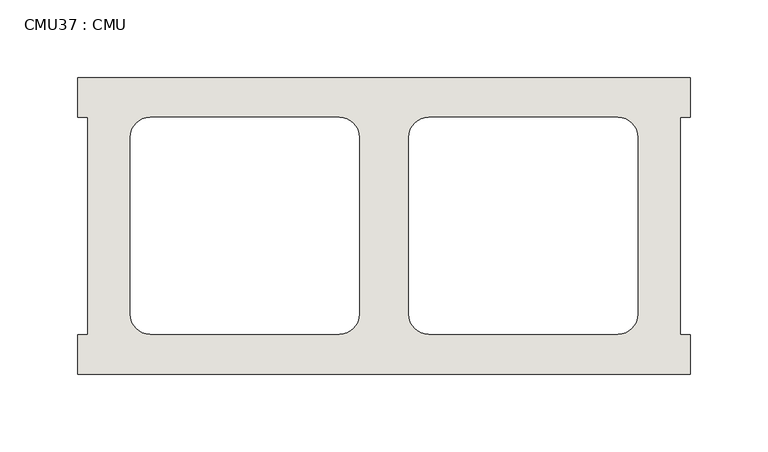
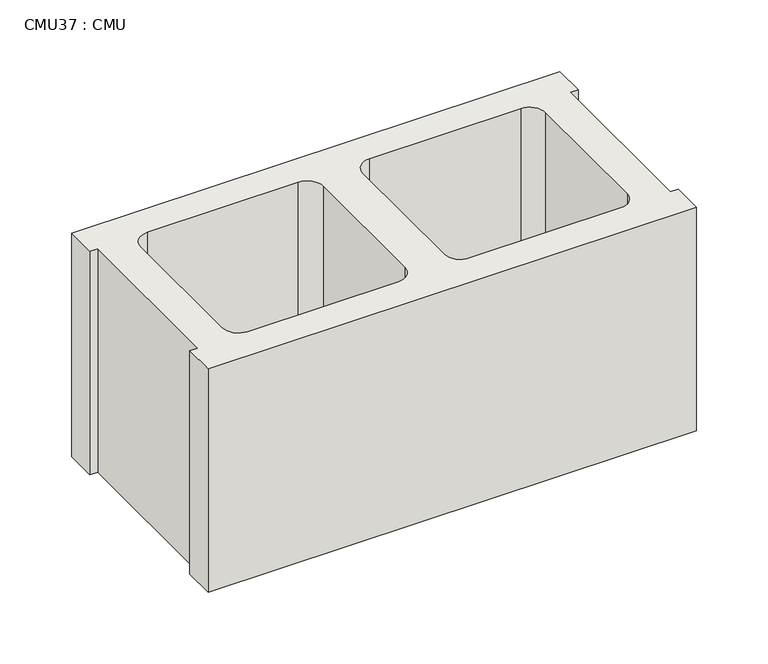
"""IFC4 building model written with IfcOpenShell, lengths in millimetres: wall geometry, CMU37 : CMU."""

from ifc_helpers import new_model, si_unit, point, frame, frame_2d, origin, place, context, project, spatial, polyline, circle_curve, trimmed, segment, composite_curve, outline, extrude, source, transform, mapped, element, save


def cmu37_cmu_e99c6f1b(model_context):
    return source(origin(), model_context, "Body", "SweptSolid", [
        extrude(outline(polyline([(-647.9939032, 2871.3003704), (-254.2939032, 2871.3003704), (-254.2939032, 2845.9003704), (-260.6439032, 2845.9003704), (-260.6439032, 2706.2003704), (-254.2939032, 2706.2003704), (-254.2939032, 2680.8003704), (-647.9939032, 2680.8003704), (-647.9939032, 2706.2003704), (-641.6439032, 2706.2003704), (-641.6439032, 2845.9003704), (-647.9939032, 2845.9003704), (-647.9939032, 2871.3003704)]), holes=[composite_curve([segment(polyline([(-479.8259045, 2845.9003704), (-601.5425546, 2845.9003704)]), True, "CONTINUOUS"), segment(trimmed(circle_curve(frame_2d((-601.5425546, 2833.2003704)), 12.7), [point((-601.5425546, 2845.9003704))], [point((-614.2425546, 2833.2003704))], True, "CARTESIAN"), True, "CONTINUOUS"), segment(polyline([(-614.2425546, 2833.2003704), (-614.2425546, 2719.1345307)]), True, "CONTINUOUS"), segment(trimmed(circle_curve(frame_2d((-601.5425546, 2719.1345307)), 12.7), [point((-614.2425546, 2719.1345307))], [point((-601.5425546, 2706.4345307))], True, "CARTESIAN"), True, "CONTINUOUS"), segment(polyline([(-601.5425546, 2706.4345307), (-479.8259045, 2706.4345307)]), True, "CONTINUOUS"), segment(trimmed(circle_curve(frame_2d((-479.8259045, 2719.1345307)), 12.7), [point((-479.8259045, 2706.4345307))], [point((-467.1259045, 2719.1345307))], True, "CARTESIAN"), True, "CONTINUOUS"), segment(polyline([(-467.1259045, 2719.1345307), (-467.1259045, 2833.2003704)]), True, "CONTINUOUS"), segment(trimmed(circle_curve(frame_2d((-479.8259045, 2833.2003704)), 12.7), [point((-467.1259045, 2833.2003704))], [point((-479.8259045, 2845.9003704))], True, "CARTESIAN"), True, "CONTINUOUS")], self_intersect=False), composite_curve([segment(trimmed(circle_curve(frame_2d((-422.4619018, 2833.2003704)), 12.7), [point((-422.4619018, 2845.9003704))], [point((-435.1619018, 2833.2003704))], True, "CARTESIAN"), True, "CONTINUOUS"), segment(polyline([(-435.1619018, 2833.2003704), (-435.1619018, 2719.1345307)]), True, "CONTINUOUS"), segment(trimmed(circle_curve(frame_2d((-422.4619018, 2719.1345307)), 12.7), [point((-435.1619018, 2719.1345307))], [point((-422.4619018, 2706.4345307))], True, "CARTESIAN"), True, "CONTINUOUS"), segment(polyline([(-422.4619018, 2706.4345307), (-300.7452517, 2706.4345307)]), True, "CONTINUOUS"), segment(trimmed(circle_curve(frame_2d((-300.7452517, 2719.1345307)), 12.7), [point((-300.7452517, 2706.4345307))], [point((-288.0452517, 2719.1345307))], True, "CARTESIAN"), True, "CONTINUOUS"), segment(polyline([(-288.0452517, 2719.1345307), (-288.0452517, 2833.2003704)]), True, "CONTINUOUS"), segment(trimmed(circle_curve(frame_2d((-300.7452517, 2833.2003704)), 12.7), [point((-288.0452517, 2833.2003704))], [point((-300.7452517, 2845.9003704))], True, "CARTESIAN"), True, "CONTINUOUS"), segment(polyline([(-300.7452517, 2845.9003704), (-422.4619018, 2845.9003704)]), True, "CONTINUOUS")], self_intersect=False)]), frame((0.0, 0.0, 406.4), z_axis=(0.0, 0.0, 1.0), x_axis=(1.0, 0.0, 0.0)), (0.0, 0.0, 1.0), 190.5),
    ])


if __name__ == "__main__":
    model = new_model("IFC4")
    model_context = context("Model", 3, world=origin())
    ifc_project = project(units=[si_unit("LENGTHUNIT", "METRE", prefix="MILLI")], contexts=[model_context])
    site = spatial("IfcSite", under=ifc_project)
    building = spatial("IfcBuilding", under=site)
    placement = place(None, origin())
    cmu37_cmu_shape = cmu37_cmu_e99c6f1b(model_context)
    element("IfcWall", 1, ObjectType="CMU37 : CMU", at=placement, inside=building, context=model_context, shape_type="MappedRepresentation", body=[
        mapped(cmu37_cmu_shape, transform((0.0, 0.0, 0.0), x_axis=(1.0, 0.0, 0.0), y_axis=(0.0, 1.0, 0.0), z_axis=(0.0, 0.0, 1.0))),
    ])
    save(model, "model.ifc")
